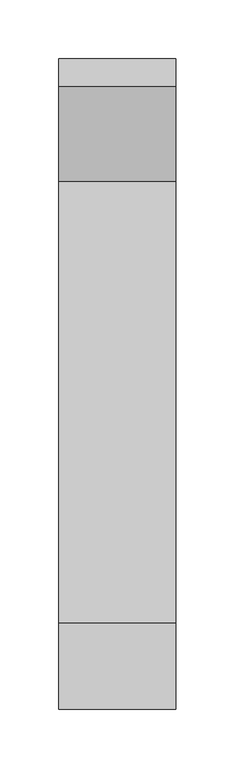
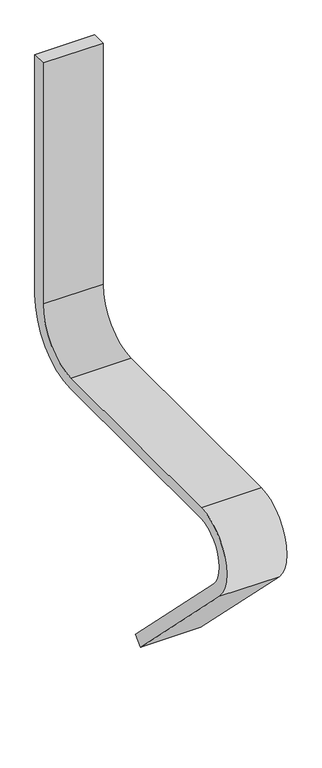
"""IFC4 building model written with IfcOpenShell, lengths in millimetres: proxy geometry."""

from ifc_helpers import new_model, si_unit, point, frame, frame_2d, origin, place, context, project, spatial, polyline, circle_curve, trimmed, segment, composite_curve, outline, extrude, source, transform, mapped, element, save


def generic_models_5b1a53a3(model_context):
    return source(origin(), model_context, "Body", "SweptSolid", [
        extrude(outline(composite_curve([segment(polyline([(624.3185029, -94.8768178), (1000.8469003, -94.8768178)]), True, "CONTINUOUS"), segment(trimmed(circle_curve(frame_2d((1000.8469003, -13.6842704)), 81.1925474), [point((1000.8469003, -94.8768178))], [point((1082.0394477, -13.6842704))], True, "CARTESIAN"), True, "CONTINUOUS"), segment(polyline([(1082.0394477, -13.6842704), (1082.0394477, 410.5859634), (1105.557819, 410.5859634), (1105.557819, -12.1288027)]), True, "CONTINUOUS"), segment(trimmed(circle_curve(frame_2d((1002.856642, -12.1288027)), 102.701177), [point((1105.557819, -12.1288027))], [point((1002.856642, -114.8299796))], False, "CARTESIAN"), True, "CONTINUOUS"), segment(polyline([(1002.856642, -114.8299796), (626.5940181, -114.8299796)]), True, "CONTINUOUS"), segment(trimmed(circle_curve(frame_2d((626.5940181, -168.5931161)), 53.7631364), [point((626.5940181, -114.8299796))], [point((588.5777398, -206.6093944))], True, "CARTESIAN"), True, "CONTINUOUS"), segment(polyline([(588.5777398, -206.6093944), (814.7171992, -432.7488539), (800.2380156, -447.2280376), (572.6428523, -219.6328743)]), True, "CONTINUOUS"), segment(trimmed(circle_curve(frame_2d((624.3185029, -167.9572237)), 73.0804059), [point((572.6428523, -219.6328743))], [point((624.3185029, -94.8768178))], False, "CARTESIAN"), True, "CONTINUOUS")], self_intersect=False)), frame((677.4804103, 0.0, 0.0), z_axis=(1.0, 0.0, 0.0), x_axis=(0.0, 1.0, 0.0)), (0.0, 0.0, 1.0), 99.9158586),
    ])


if __name__ == "__main__":
    model = new_model("IFC4")
    model_context = context("Model", 3, world=origin())
    ifc_project = project(units=[si_unit("LENGTHUNIT", "METRE", prefix="MILLI")], contexts=[model_context])
    site = spatial("IfcSite", under=ifc_project)
    building = spatial("IfcBuilding", under=site)
    placement = place(None, origin())
    generic_models_shape = generic_models_5b1a53a3(model_context)
    element("IfcBuildingElementProxy", 1, Name="Generic Models", at=placement, inside=building, context=model_context, shape_type="MappedRepresentation", body=[
        mapped(generic_models_shape, transform((0.0, 0.0, 0.0), x_axis=(1.0, 0.0, 0.0), y_axis=(0.0, 1.0, 0.0), z_axis=(0.0, 0.0, 1.0))),
    ])
    save(model, "model.ifc")
